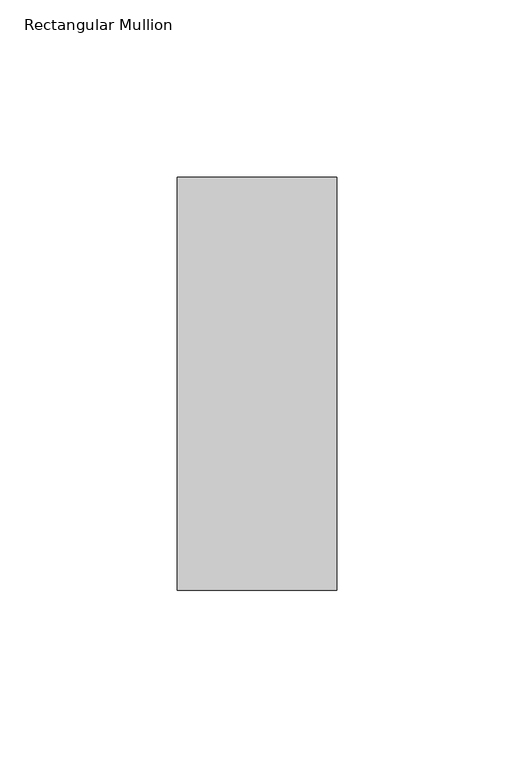
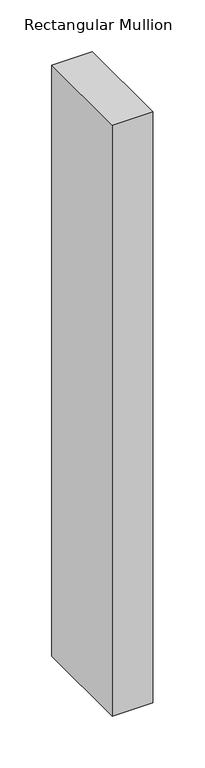
"""IFC4 building model written with IfcOpenShell, lengths in millimetres: member geometry, Rectangular Mullion."""

from ifc_helpers import new_model, si_unit, frame, origin, place, context, project, spatial, polyline, outline, extrude, source, transform, mapped, element, save


def rectangular_mullion_5baa1c0c(model_context):
    return source(origin(), model_context, "Body", "SweptSolid", [
        extrude(outline(polyline([(0.0, 73.875), (0.0, -42.8257813), (-45.0453125, -42.8257813), (-45.0453125, 73.875), (0.0, 73.875)])), frame((0.0, 0.0, -695.5234375), z_axis=(0.0, 0.0, 1.0), x_axis=(1.0, 0.0, 0.0)), (0.0, 0.0, 1.0), 695.5234375),
    ])


if __name__ == "__main__":
    model = new_model("IFC4")
    model_context = context("Model", 3, world=origin())
    ifc_project = project(units=[si_unit("LENGTHUNIT", "METRE", prefix="MILLI")], contexts=[model_context])
    site = spatial("IfcSite", under=ifc_project)
    building = spatial("IfcBuilding", under=site)
    placement = place(None, origin())
    rectangular_mullion_shape = rectangular_mullion_5baa1c0c(model_context)
    element("IfcMember", 1, ObjectType="Rectangular Mullion", at=placement, inside=building, context=model_context, shape_type="MappedRepresentation", body=[
        mapped(rectangular_mullion_shape, transform((0.0, 0.0, 0.0), x_axis=(1.0, 0.0, 0.0), y_axis=(0.0, 1.0, 0.0), z_axis=(0.0, 0.0, 1.0))),
    ])
    save(model, "model.ifc")
